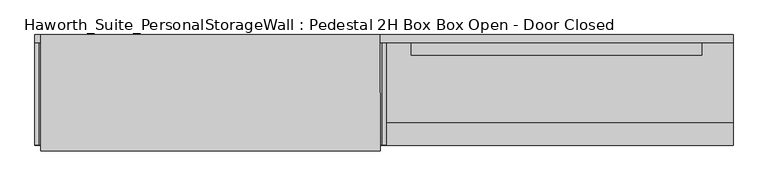
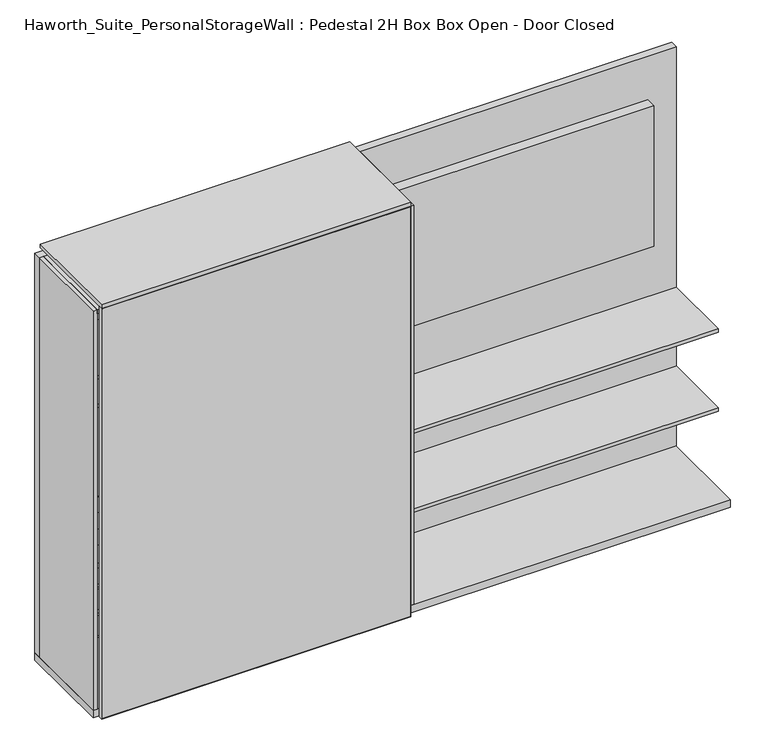
"""IFC4 building model written with IfcOpenShell, lengths in millimetres: furniture geometry, Haworth_Suite_PersonalStorageWall : Pedestal 2H Box Box Open - Door Closed."""

from ifc_helpers import new_model, si_unit, point, frame, frame_2d, origin, origin_with_axes, place, context, project, spatial, polyline, circle_curve, trimmed, segment, composite_curve, outline, extrude, source, transform, mapped, element, save


def haworth_suite_personalstoragewall_pedestal_2h_box_box_open_372b223e(model_context):
    return source(origin(), model_context, "Body", "SweptSolid", [
        extrude(outline(polyline([(1070.371875, -202.4059418), (-199.628125, -202.4059418), (-199.628125, -151.6059418), (1070.371875, -151.6059418), (1070.371875, -202.4059418)])), frame((0.0, 0.0, 1127.125), z_axis=(0.0, 0.0, 1.0), x_axis=(1.0, 0.0, 0.0)), (0.0, 0.0, 1.0), 711.2),
        extrude(outline(polyline([(2077.24375, -1816.1), (0.0, -1816.1), (1.5875, -1814.5125), (2075.65625, -1814.5125), (2077.24375, -1816.1)])), frame((0.0, -622.3, 0.0), z_axis=(0.0, 1.0, 0.0), x_axis=(0.0, 0.0, 1.0)), (0.0, 0.0, 1.0), 19.05),
        extrude(outline(polyline([(2077.24375, -334.9625), (2075.65625, -336.55), (1.5875, -336.55), (0.0, -334.9625), (2077.24375, -334.9625)])), frame((0.0, -622.3, 0.0), z_axis=(0.0, 1.0, 0.0), x_axis=(0.0, 0.0, 1.0)), (0.0, 0.0, 1.0), 19.05),
        extrude(outline(polyline([(2075.65625, -1814.5125), (2075.65625, -336.55), (2077.24375, -334.9625), (2077.24375, -1816.1), (2075.65625, -1814.5125)])), frame((0.0, -622.3, 0.0), z_axis=(0.0, 1.0, 0.0), x_axis=(0.0, 0.0, 1.0)), (0.0, 0.0, 1.0), 19.05),
        extrude(outline(polyline([(1.5875, -1814.5125), (0.0, -1816.1), (0.0, -334.9625), (1.5875, -336.55), (1.5875, -1814.5125)])), frame((0.0, -622.3, 0.0), z_axis=(0.0, 1.0, 0.0), x_axis=(0.0, 0.0, 1.0)), (0.0, 0.0, 1.0), 19.05),
        extrude(outline(polyline([(-336.55, -604.04375), (-336.55, -621.50625), (-1814.5125, -621.50625), (-1814.5125, -604.04375), (-336.55, -604.04375)])), frame((0.0, 0.0, 1.5875), z_axis=(0.0, 0.0, 1.0), x_axis=(1.0, 0.0, 0.0)), (0.0, 0.0, 1.0), 2074.06875),
        extrude(outline(polyline([(-1485.9, -567.5309387), (-1485.9, -186.5309387), (-1473.2, -186.5309387), (-1473.2, -567.5309387), (-1485.9, -567.5309387)])), frame((0.0, 0.0, 527.05), z_axis=(0.0, 0.0, 1.0), x_axis=(1.0, 0.0, 0.0)), (0.0, 0.0, 1.0), 101.6),
        extrude(outline(polyline([(-1822.45, -186.5309387), (-1809.75, -186.5309387), (-1809.75, -567.5309387), (-1822.45, -567.5309387), (-1822.45, -186.5309387)])), frame((0.0, 0.0, 527.05), z_axis=(0.0, 0.0, 1.0), x_axis=(1.0, 0.0, 0.0)), (0.0, 0.0, 1.0), 101.6),
        extrude(outline(polyline([(-1822.45, -186.5309387), (-1822.45, -173.8309387), (-1473.2, -173.8309387), (-1473.2, -186.5309387), (-1822.45, -186.5309387)])), frame((0.0, 0.0, 527.05), z_axis=(0.0, 0.0, 1.0), x_axis=(1.0, 0.0, 0.0)), (0.0, 0.0, 1.0), 101.6),
        extrude(outline(polyline([(-1822.45, -580.2309387), (-1822.45, -567.5309387), (-1473.2, -567.5309387), (-1473.2, -580.2309387), (-1822.45, -580.2309387)])), frame((0.0, 0.0, 527.05), z_axis=(0.0, 0.0, 1.0), x_axis=(1.0, 0.0, 0.0)), (0.0, 0.0, 1.0), 101.6),
        extrude(outline(polyline([(-1809.75, -567.5309387), (-1809.75, -186.5309387), (-1485.9, -186.5309387), (-1485.9, -567.5309387), (-1809.75, -567.5309387)])), frame((0.0, 0.0, 527.05), z_axis=(0.0, 0.0, 1.0), x_axis=(1.0, 0.0, 0.0)), (0.0, 0.0, 1.0), 12.7),
        extrude(outline(polyline([(-148.4309387, 749.3), (-147.2970101, 748.1660714), (-248.8970101, 671.9660714), (-250.0309387, 673.1), (-148.4309387, 749.3)])), frame((-1822.45, 0.0, 0.0), z_axis=(1.0, 0.0, 0.0), x_axis=(0.0, 1.0, 0.0)), (0.0, 0.0, 1.0), 349.25),
        extrude(outline(polyline([(-351.6309387, 749.3), (-350.4970101, 748.1660714), (-452.0970101, 671.9660714), (-453.2309387, 673.1), (-351.6309387, 749.3)])), frame((-1822.45, 0.0, 0.0), z_axis=(1.0, 0.0, 0.0), x_axis=(0.0, 1.0, 0.0)), (0.0, 0.0, 1.0), 349.25),
        extrude(outline(polyline([(0.0, -127.0), (0.0, 0.0), (349.25, 0.0), (349.25, -127.0), (0.0, -127.0)])), frame((-1822.45, -249.0784387, 748.03), z_axis=(0.0, -0.5999999999999731, 0.8000000000000203), x_axis=(1.0, 0.0, 0.0)), (0.0, 0.0, 1.0), 1.5875),
        extrude(outline(polyline([(-1822.45, -578.6434387), (-1822.45, -148.4309387), (-1473.2, -148.4309387), (-1473.2, -578.6434387), (-1822.45, -578.6434387)])), frame((0.0, 0.0, 657.225), z_axis=(0.0, 0.0, 1.0), x_axis=(1.0, 0.0, 0.0)), (0.0, 0.0, 1.0), 15.875),
        extrude(outline(composite_curve([segment(trimmed(circle_curve(frame_2d((-567.5309387, 738.1875)), 12.7), [point((-580.2309387, 738.1875))], [point((-567.5309387, 750.8875))], False, "CARTESIAN"), True, "CONTINUOUS"), segment(polyline([(-567.5309387, 750.8875), (-453.2309387, 750.8875), (-453.2309387, 749.3), (-567.5309387, 749.3)]), True, "CONTINUOUS"), segment(trimmed(circle_curve(frame_2d((-567.5309387, 738.1875)), 11.1125), [point((-567.5309387, 749.3))], [point((-578.6434387, 738.1875))], True, "CARTESIAN"), True, "CONTINUOUS"), segment(polyline([(-578.6434387, 738.1875), (-578.6434387, 657.225), (-580.2309387, 657.225), (-580.2309387, 738.1875)]), True, "CONTINUOUS")], self_intersect=False)), frame((-1822.45, 0.0, 0.0), z_axis=(1.0, 0.0, 0.0), x_axis=(0.0, 1.0, 0.0)), (0.0, 0.0, 1.0), 349.25),
        extrude(outline(polyline([(-304.4825, 720.725), (-304.4825, 479.425), (-153.9875, 479.425), (-153.9875, 504.825), (-152.4, 504.825), (-152.4, 477.8375), (-306.07, 477.8375), (-306.07, 719.1375), (-329.8825, 719.1375), (-329.8825, 720.725), (-304.4825, 720.725)])), frame((-1449.3875, 0.0, 0.0), z_axis=(1.0, 0.0, 0.0), x_axis=(0.0, 1.0, 0.0)), (0.0, 0.0, 1.0), 952.5),
        extrude(outline(polyline([(-598.4875, 0.0), (-598.4875, 39.6875), (-152.4, 39.6875), (-152.4, 38.1), (-596.9, 38.1), (-596.9, 0.0), (-598.4875, 0.0)])), frame((-1449.3875, 0.0, 0.0), z_axis=(1.0, 0.0, 0.0), x_axis=(0.0, 1.0, 0.0)), (0.0, 0.0, 1.0), 952.5),
        extrude(outline(composite_curve([segment(trimmed(circle_curve(frame_2d((-582.6125, 738.1875)), 12.7), [point((-595.3125, 738.1875))], [point((-582.6125, 750.8875))], False, "CARTESIAN"), True, "CONTINUOUS"), segment(polyline([(-582.6125, 750.8875), (-163.5125, 750.8875), (-163.5125, 749.3), (-582.6125, 749.3)]), True, "CONTINUOUS"), segment(trimmed(circle_curve(frame_2d((-582.6125, 738.1875)), 11.1125), [point((-582.6125, 749.3))], [point((-593.725, 738.1875))], True, "CARTESIAN"), True, "CONTINUOUS"), segment(polyline([(-593.725, 738.1875), (-593.725, 708.025), (-595.3125, 708.025), (-595.3125, 738.1875)]), True, "CONTINUOUS")], self_intersect=False)), frame((-1449.3875, 0.0, 0.0), z_axis=(1.0, 0.0, 0.0), x_axis=(0.0, 1.0, 0.0)), (0.0, 0.0, 1.0), 952.5),
        extrude(outline(polyline([(-1485.9, -567.5309387), (-1485.9, -186.5309387), (-1473.2, -186.5309387), (-1473.2, -567.5309387), (-1485.9, -567.5309387)])), frame((0.0, 0.0, 396.875), z_axis=(0.0, 0.0, 1.0), x_axis=(1.0, 0.0, 0.0)), (0.0, 0.0, 1.0), 101.6),
        extrude(outline(polyline([(-1822.45, -186.5309387), (-1809.75, -186.5309387), (-1809.75, -567.5309387), (-1822.45, -567.5309387), (-1822.45, -186.5309387)])), frame((0.0, 0.0, 396.875), z_axis=(0.0, 0.0, 1.0), x_axis=(1.0, 0.0, 0.0)), (0.0, 0.0, 1.0), 101.6),
        extrude(outline(polyline([(-1822.45, -186.5309387), (-1822.45, -173.8309387), (-1473.2, -173.8309387), (-1473.2, -186.5309387), (-1822.45, -186.5309387)])), frame((0.0, 0.0, 396.875), z_axis=(0.0, 0.0, 1.0), x_axis=(1.0, 0.0, 0.0)), (0.0, 0.0, 1.0), 101.6),
        extrude(outline(polyline([(-1822.45, -580.2309387), (-1822.45, -567.5309387), (-1473.2, -567.5309387), (-1473.2, -580.2309387), (-1822.45, -580.2309387)])), frame((0.0, 0.0, 396.875), z_axis=(0.0, 0.0, 1.0), x_axis=(1.0, 0.0, 0.0)), (0.0, 0.0, 1.0), 101.6),
        extrude(outline(polyline([(-1809.75, -567.5309387), (-1809.75, -186.5309387), (-1485.9, -186.5309387), (-1485.9, -567.5309387), (-1809.75, -567.5309387)])), frame((0.0, 0.0, 396.875), z_axis=(0.0, 0.0, 1.0), x_axis=(1.0, 0.0, 0.0)), (0.0, 0.0, 1.0), 12.7),
        extrude(outline(polyline([(2058.19375, 1206.5), (2058.19375, -1841.5), (38.1, -1841.5), (38.1, 1206.5), (2058.19375, 1206.5)]), holes=[polyline([(161.0999959, -1771.6000015), (567.4999898, -1771.6000015), (567.4999898, -1568.3999909), (161.0999959, -1568.3999909), (161.0999959, -1771.6000015)]), polyline([(504.000014, -1238.2500121), (504.000014, -1435.0999879), (643.7000261, -1435.0999879), (643.7000261, -1238.2500121), (504.000014, -1238.2500121)])]), frame((0.0, -149.5975372, 0.0), z_axis=(0.0, 1.0, 0.0), x_axis=(0.0, 0.0, 1.0)), (0.0, 0.0, 1.0), 35.2975372),
        extrude(outline(polyline([(-327.025, -149.5975372), (-327.025, -596.9), (-1822.45, -596.9), (-1822.45, -149.5975372), (-327.025, -149.5975372)])), frame((0.0, 0.0, 2039.14375), z_axis=(0.0, 0.0, 1.0), x_axis=(1.0, 0.0, 0.0)), (0.0, 0.0, 1.0), 19.05),
        extrude(outline(polyline([(-307.2032339, -596.9), (-326.2532339, -596.9), (-326.2532339, -149.5975372), (-307.2032339, -149.5975372), (-307.2032339, -596.9)])), frame((0.0, 0.0, 38.1), z_axis=(0.0, 0.0, 1.0), x_axis=(1.0, 0.0, 0.0)), (0.0, 0.0, 1.0), 2020.09375),
        extrude(outline(polyline([(-326.2532339, -149.5975372), (-326.2532339, -498.475), (-477.8375, -498.475), (-477.8375, -149.5975372), (-326.2532339, -149.5975372)])), frame((0.0, 0.0, 1627.1875), z_axis=(0.0, 0.0, 1.0), x_axis=(1.0, 0.0, 0.0)), (0.0, 0.0, 1.0), 18.2561531),
        extrude(outline(polyline([(-1822.45, -596.9), (-1841.5, -596.9), (-1841.5, -149.5975372), (-1822.45, -149.5975372), (-1822.45, -596.9)])), frame((0.0, 0.0, 38.1), z_axis=(0.0, 0.0, 1.0), x_axis=(1.0, 0.0, 0.0)), (0.0, 0.0, 1.0), 2020.09375),
        extrude(outline(polyline([(-496.8875, -149.5975372), (-496.8875, -163.5125), (-1809.75, -163.5125), (-1809.75, -149.5975372), (-496.8875, -149.5975372)])), frame((0.0, 0.0, 764.4777447), z_axis=(0.0, 0.0, 1.0), x_axis=(1.0, 0.0, 0.0)), (0.0, 0.0, 1.0), 701.1622827),
        extrude(outline(polyline([(-1150.9375754, -149.5975372), (-1150.9375754, -407.1569331), (-1169.1937286, -407.1569331), (-1169.1937286, -149.5975372), (-1150.9375754, -149.5975372)])), frame((0.0, 0.0, 1500.1875484), z_axis=(0.0, 0.0, 1.0), x_axis=(1.0, 0.0, 0.0)), (0.0, 0.0, 1.0), 126.9999516),
        extrude(outline(polyline([(-496.8875, -149.5975372), (-496.8875, -498.475), (-1822.45, -498.475), (-1822.45, -149.5975372), (-496.8875, -149.5975372)])), frame((0.0, 0.0, 1481.93125), z_axis=(0.0, 0.0, 1.0), x_axis=(1.0, 0.0, 0.0)), (0.0, 0.0, 1.0), 18.2562984),
        extrude(outline(polyline([(-496.8875, -149.5975372), (-496.8875, -498.475), (-1822.45, -498.475), (-1822.45, -149.5975372), (-496.8875, -149.5975372)])), frame((0.0, 0.0, 1627.1875), z_axis=(0.0, 0.0, 1.0), x_axis=(1.0, 0.0, 0.0)), (0.0, 0.0, 1.0), 18.2561531),
        extrude(outline(polyline([(1206.5, -149.5975372), (1206.5, -498.475), (-307.2032339, -498.475), (-307.2032339, -149.5975372), (1206.5, -149.5975372)])), frame((0.0, 0.0, 823.6154732), z_axis=(0.0, 0.0, 1.0), x_axis=(1.0, 0.0, 0.0)), (0.0, 0.0, 1.0), 18.25625),
        extrude(outline(polyline([(1206.5, -149.5975372), (1206.5, -498.475), (-307.2032339, -498.475), (-307.2032339, -149.5975372), (1206.5, -149.5975372)])), frame((0.0, 0.0, 424.3592232), z_axis=(0.0, 0.0, 1.0), x_axis=(1.0, 0.0, 0.0)), (0.0, 0.0, 1.0), 18.25625),
        extrude(outline(polyline([(-334.9625, -114.3), (-334.9625, -622.3), (-1816.1, -622.3), (-1816.1, -114.3), (-334.9625, -114.3)])), frame((0.0, 0.0, 2077.24375), z_axis=(0.0, 0.0, 1.0), x_axis=(1.0, 0.0, 0.0)), (0.0, 0.0, 1.0), 19.05),
        extrude(outline(polyline([(-1447.7995299, -596.9), (-1466.8495299, -596.9), (-1466.8495299, -149.5975372), (-1447.7995299, -149.5975372), (-1447.7995299, -596.9)])), frame((0.0, 0.0, 38.1), z_axis=(0.0, 0.0, 1.0), x_axis=(1.0, 0.0, 0.0)), (0.0, 0.0, 1.0), 712.7875),
        extrude(outline(polyline([(1206.5, -114.3), (1206.5, -596.9), (-1841.5, -596.9), (-1841.5, -114.3), (1206.5, -114.3)])), origin_with_axes(), (0.0, 0.0, 1.0), 38.1),
        extrude(outline(polyline([(-477.8375, -596.9), (-496.8875, -596.9), (-496.8875, -149.5975372), (-477.8375, -149.5975372), (-477.8375, -596.9)])), frame((0.0, 0.0, 38.1), z_axis=(0.0, 0.0, 1.0), x_axis=(1.0, 0.0, 0.0)), (0.0, 0.0, 1.0), 2001.04375),
    ])


if __name__ == "__main__":
    model = new_model("IFC4")
    model_context = context("Model", 3, world=origin())
    ifc_project = project(units=[si_unit("LENGTHUNIT", "METRE", prefix="MILLI")], contexts=[model_context])
    site = spatial("IfcSite", under=ifc_project)
    building = spatial("IfcBuilding", under=site)
    placement = place(None, origin())
    haworth_suite_personalstoragewall_pedestal_2h_box_box_open_shape = haworth_suite_personalstoragewall_pedestal_2h_box_box_open_372b223e(model_context)
    element("IfcFurniture", 1, ObjectType="Haworth_Suite_PersonalStorageWall : Pedestal 2H Box Box Open - Door Closed", at=placement, inside=building, context=model_context, shape_type="MappedRepresentation", body=[
        mapped(haworth_suite_personalstoragewall_pedestal_2h_box_box_open_shape, transform((0.0, 0.0, 0.0), x_axis=(1.0, 0.0, 0.0), y_axis=(0.0, 1.0, 0.0), z_axis=(0.0, 0.0, 1.0))),
    ])
    save(model, "model.ifc")
